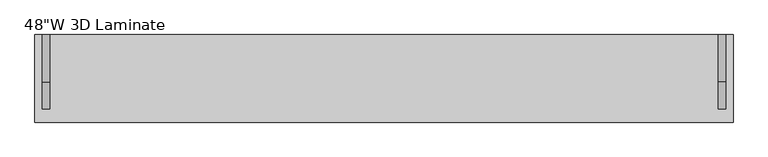
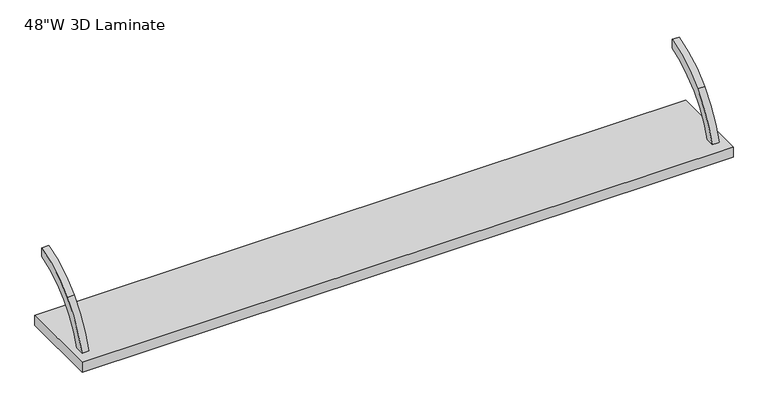
"""IFC4 building model written with IfcOpenShell, lengths in millimetres: furniture geometry."""

import ifcopenshell
import ifcopenshell.guid

model = None  # the IFC model being written
_history = None  # IfcOwnerHistory: only IFC2X3 demands one
_inside = {}  # id of a spatial element -> (the spatial element, [elements in it])
_under = {}  # id of a project, library or spatial element -> (it, [spatial elements below it])
_declared = {}  # id of a project -> (the project, [libraries it declares])
_typed = {}  # id of a type object -> (the type object, [elements of that type])
_made_of = {}  # id of a material, layer set ... -> (it, [elements and type objects made of it])


def new_model(schema):
    """Start an empty IFC model of exactly this schema.

    Asked for "IFC4X3", IfcOpenShell would pick the latest addendum, in which some entities
    have other attributes; the version numbers below select the first issue.
    IFC2X3 requires an IfcOwnerHistory on every rooted entity: one is made here for all.
    """
    global model, _history
    if schema == "IFC4X3":
        model = ifcopenshell.file(schema_version=(4, 3, 0, 0))
    else:
        model = ifcopenshell.file(schema=schema)
    _inside.clear()
    _under.clear()
    _declared.clear()
    _typed.clear()
    _made_of.clear()
    _history = None
    if model.schema == "IFC2X3":
        org = make("IfcOrganization", Name="unknown")
        user = make(
            "IfcPersonAndOrganization",
            ThePerson=make("IfcPerson", FamilyName="unknown"),
            TheOrganization=org,
        )
        app = make(
            "IfcApplication",
            ApplicationDeveloper=org,
            Version="unknown",
            ApplicationFullName="unknown",
            ApplicationIdentifier="unknown",
        )
        _history = make(
            "IfcOwnerHistory",
            OwningUser=user,
            OwningApplication=app,
            ChangeAction="ADDED",
            CreationDate=0,
        )
    return model


def make(cls, **values):
    """One entity of the class cls with the attributes given. An attribute that is None is left unset."""
    return model.create_entity(
        cls, **{name: value for name, value in values.items() if value is not None}
    )


def rooted(cls, **values):
    """An entity with a GlobalId (a new one), such as an element, a storey or a relation."""
    return make(cls, GlobalId=ifcopenshell.guid.new(), OwnerHistory=_history, **values)


def si_unit(unit_type, name, prefix=None):
    """IfcSIUnit, for example si_unit("LENGTHUNIT", "METRE", prefix="MILLI")."""
    return make("IfcSIUnit", UnitType=unit_type, Prefix=prefix, Name=name)


def assignment(units):
    """IfcUnitAssignment: the units of a project."""
    return None if units is None else make("IfcUnitAssignment", Units=units)


def point(xyz):
    """IfcCartesianPoint."""
    return None if xyz is None else make("IfcCartesianPoint", Coordinates=xyz)


def direction(xyz):
    """IfcDirection."""
    return None if xyz is None else make("IfcDirection", DirectionRatios=xyz)


def frame(location, z_axis=None, x_axis=None):
    """IfcAxis2Placement3D, a coordinate frame: its origin and axes. An axis left out is left unset."""
    return make(
        "IfcAxis2Placement3D",
        Location=point(location),
        Axis=direction(z_axis),
        RefDirection=direction(x_axis),
    )


def frame_2d(location, x_axis=None):
    """IfcAxis2Placement2D, a coordinate frame in the plane: its origin and x axis."""
    return make(
        "IfcAxis2Placement2D", Location=point(location), RefDirection=direction(x_axis)
    )


def origin():
    """The frame at (0, 0, 0) with its axes left unset."""
    return frame((0.0, 0.0, 0.0))


def place(relative_to, where):
    """IfcLocalPlacement: puts the frame where relative to a parent placement (None: the world)."""
    return make(
        "IfcLocalPlacement", PlacementRelTo=relative_to, RelativePlacement=where
    )


def context(
    kind, dimensions, precision=None, world=None, true_north=None, identifier=None
):
    """IfcGeometricRepresentationContext, for example the 3D "Model" context."""
    return make(
        "IfcGeometricRepresentationContext",
        ContextIdentifier=identifier,
        ContextType=kind,
        CoordinateSpaceDimension=dimensions,
        Precision=precision,
        WorldCoordinateSystem=world,
        TrueNorth=true_north,
    )


def project(units=None, contexts=None):
    """IfcProject with its units and contexts."""
    return rooted(
        "IfcProject",
        Name="project",
        RepresentationContexts=contexts,
        UnitsInContext=assignment(units),
    )


def spatial(cls, under=None, at=None, **own):
    """A site, building, storey or space (cls), placed at a placement, below another one or the project."""
    s = rooted(cls, ObjectPlacement=at, **own)
    if under is not None:
        _under.setdefault(under.id(), (under, []))[1].append(s)
    return s


def polyline(points):
    """IfcPolyline through the points."""
    return make("IfcPolyline", Points=[point(p) for p in points])


def circle_curve(where, radius):
    """IfcCircle in the frame where."""
    return make("IfcCircle", Position=where, Radius=radius)


def trimmed(basis, trim1, trim2, sense, master):
    """IfcTrimmedCurve: the piece of a basis curve between two trims."""
    return make(
        "IfcTrimmedCurve",
        BasisCurve=basis,
        Trim1=trim1,
        Trim2=trim2,
        SenseAgreement=sense,
        MasterRepresentation=master,
    )


def segment(curve, same_sense, transition):
    """IfcCompositeCurveSegment."""
    return make(
        "IfcCompositeCurveSegment",
        Transition=transition,
        SameSense=same_sense,
        ParentCurve=curve,
    )


def composite_curve(segments, self_intersect=None):
    """IfcCompositeCurve: segments joined end to end."""
    return make("IfcCompositeCurve", Segments=segments, SelfIntersect=self_intersect)


def outline(outer, holes=None, kind="AREA"):
    """IfcArbitraryClosedProfileDef: a profile drawn as a closed curve; with holes, ...WithVoids."""
    if holes is None:
        return make("IfcArbitraryClosedProfileDef", ProfileType=kind, OuterCurve=outer)
    return make(
        "IfcArbitraryProfileDefWithVoids",
        ProfileType=kind,
        OuterCurve=outer,
        InnerCurves=holes,
    )


def extrude(swept, where, along, depth):
    """IfcExtrudedAreaSolid: the profile swept, set in the frame where, extruded along a direction by depth."""
    return make(
        "IfcExtrudedAreaSolid",
        SweptArea=swept,
        Position=where,
        ExtrudedDirection=direction(along),
        Depth=depth,
    )


def shape(context_of_items, identifier, shape_type, items):
    """IfcShapeRepresentation: the items that make up one representation, for example the "Body"."""
    return make(
        "IfcShapeRepresentation",
        ContextOfItems=context_of_items,
        RepresentationIdentifier=identifier,
        RepresentationType=shape_type,
        Items=items,
    )


def source(mapping_origin, context_of_items, identifier, shape_type, items):
    """IfcRepresentationMap: a shape defined once, which mapped items show again and again."""
    return make(
        "IfcRepresentationMap",
        MappingOrigin=mapping_origin,
        MappedRepresentation=shape(context_of_items, identifier, shape_type, items),
    )


def transform(
    local_origin,
    x_axis=None,
    y_axis=None,
    z_axis=None,
    scale=None,
    scale2=None,
    scale3=None,
    uniform=True,
):
    """IfcCartesianTransformationOperator3D, or its non-uniform kind. x_axis, y_axis, z_axis: its Axis1, 2, 3."""
    if uniform:
        return make(
            "IfcCartesianTransformationOperator3D",
            Axis1=direction(x_axis),
            Axis2=direction(y_axis),
            LocalOrigin=point(local_origin),
            Scale=scale,
            Axis3=direction(z_axis),
        )
    return make(
        "IfcCartesianTransformationOperator3DnonUniform",
        Axis1=direction(x_axis),
        Axis2=direction(y_axis),
        LocalOrigin=point(local_origin),
        Scale=scale,
        Axis3=direction(z_axis),
        Scale2=scale2,
        Scale3=scale3,
    )


def mapped(mapping_source, mapping_target):
    """IfcMappedItem: shows the shape of a source again, moved by a transform."""
    return make(
        "IfcMappedItem", MappingSource=mapping_source, MappingTarget=mapping_target
    )


def made_of(thing, what):
    """Note that an element or type object is made of a material, layer set ...; save() writes the relation."""
    if what is not None:
        _made_of.setdefault(what.id(), (what, []))[1].append(thing)
    return thing


def element(
    cls,
    number,
    at=None,
    inside=None,
    cuts=None,
    type_object=None,
    material=None,
    context=None,
    identifier="Body",
    shape_type=None,
    held_by="IfcProductDefinitionShape",
    body=None,
    shapes=None,
    **own,
):
    """One element of the class cls, such as IfcWall. Its Tag is "e" and its number.

    at: its placement. inside: the storey or other place that contains it. cuts: it is an
    opening in that element (IfcRelVoidsElement). A single representation is given by context,
    identifier, shape_type and body (its items); several are given by shapes. held_by: the class
    of the entity that holds the representations. save() writes the other relations.
    """
    e = rooted(cls, Tag="e%d" % number, ObjectPlacement=at, **own)
    if body is not None:
        shapes = [shape(context, identifier, shape_type, body)]
    if shapes is not None:
        e.Representation = make(held_by, Representations=shapes)
    if inside is not None:
        _inside.setdefault(inside.id(), (inside, []))[1].append(e)
    if cuts is not None:
        rooted(
            "IfcRelVoidsElement", RelatingBuildingElement=cuts, RelatedOpeningElement=e
        )
    if type_object is not None:
        _typed.setdefault(type_object.id(), (type_object, []))[1].append(e)
    return made_of(e, material)


def aggregate(whole, parts):
    """IfcRelAggregates: a whole, such as a stair, and the parts it consists of."""
    return rooted("IfcRelAggregates", RelatingObject=whole, RelatedObjects=parts)


def save(model, path):
    """Write the relations noted so far, then the file.

    IfcRelAggregates (storeys below a building ...), IfcRelContainedInSpatialStructure (elements
    in a storey), IfcRelDefinesByType, IfcRelAssociatesMaterial and IfcRelDeclares: one each for
    every whole, place, type object, material and project.
    """
    for whole, parts in _under.values():
        aggregate(whole, parts)
    for where, things in _inside.values():
        rooted(
            "IfcRelContainedInSpatialStructure",
            RelatedElements=things,
            RelatingStructure=where,
        )
    for kind, things in _typed.values():
        rooted("IfcRelDefinesByType", RelatedObjects=things, RelatingType=kind)
    for what, things in _made_of.values():
        rooted("IfcRelAssociatesMaterial", RelatedObjects=things, RelatingMaterial=what)
    for by, libraries in _declared.values():
        rooted("IfcRelDeclares", RelatingContext=by, RelatedDefinitions=libraries)
    model.write(path)


def furniture_74fc1526(model_context):
    return source(origin(), model_context, "Body", "SweptSolid", [
        extrude(outline(composite_curve([segment(polyline([(-21.75256, 1074.7938619), (-21.75256, 1058.2080334)]), True, "CONTINUOUS"), segment(trimmed(circle_curve(frame_2d((31.2350706, 888.9332038)), 177.3743412), [point((-21.75256, 1058.2080334))], [point((-91.5649658, 1016.924641))], True, "CARTESIAN"), True, "CONTINUOUS"), segment(trimmed(circle_curve(frame_2d((14.1297346, 906.761672)), 152.6671197), [point((-91.5649658, 1016.924641))], [point((-132.8646554, 947.9915))], True, "CARTESIAN"), True, "CONTINUOUS"), segment(polyline([(-132.8646554, 947.9915), (-149.4341867, 947.9915)]), True, "CONTINUOUS"), segment(trimmed(circle_curve(frame_2d((41.312225, 891.180367)), 199.0268786), [point((-149.4341867, 947.9915))], [point((-102.9422911, 1028.3019663))], False, "CARTESIAN"), True, "CONTINUOUS"), segment(trimmed(circle_curve(frame_2d((15.3556483, 915.8534754)), 163.2147835), [point((-102.9422911, 1028.3019663))], [point((-21.75256, 1074.7938619))], False, "CARTESIAN"), True, "CONTINUOUS")], self_intersect=False)), frame((590.2663384, 0.0, 0.0), z_axis=(1.0, 0.0, 0.0), x_axis=(0.0, 1.0, 0.0)), (0.0, 0.0, 1.0), 12.7),
        extrude(outline(composite_curve([segment(trimmed(circle_curve(frame_2d((15.3556483, 915.8534754)), 163.2147835), [point((-102.9422911, 1028.3019663))], [point((-21.75256, 1074.7938619))], False, "CARTESIAN"), True, "CONTINUOUS"), segment(polyline([(-21.75256, 1074.7938619), (-21.75256, 1058.2080334)]), True, "CONTINUOUS"), segment(trimmed(circle_curve(frame_2d((31.2350706, 888.9332038)), 177.3743412), [point((-21.75256, 1058.2080334))], [point((-91.5649658, 1016.924641))], True, "CARTESIAN"), True, "CONTINUOUS"), segment(trimmed(circle_curve(frame_2d((14.1297346, 906.761672)), 152.6671197), [point((-91.5649658, 1016.924641))], [point((-132.8646554, 947.9915))], True, "CARTESIAN"), True, "CONTINUOUS"), segment(polyline([(-132.8646554, 947.9915), (-149.4341867, 947.9915)]), True, "CONTINUOUS"), segment(trimmed(circle_curve(frame_2d((41.312225, 891.180367)), 199.0268786), [point((-149.4341867, 947.9915))], [point((-102.9422911, 1028.3019663))], False, "CARTESIAN"), True, "CONTINUOUS")], self_intersect=False)), frame((-565.4909286, 0.0, 0.0), z_axis=(1.0, 0.0, 0.0), x_axis=(0.0, 1.0, 0.0)), (0.0, 0.0, 1.0), 12.7),
        extrude(outline(polyline([(615.6377049, -21.75256), (615.6377049, -171.5728725), (-578.1622951, -171.5728725), (-578.1622951, -21.75256), (615.6377049, -21.75256)])), frame((0.0, 0.0, 928.9422994), z_axis=(0.0, 0.0, 1.0), x_axis=(1.0, 0.0, 0.0)), (0.0, 0.0, 1.0), 19.0492006),
    ])


if __name__ == "__main__":
    model = new_model("IFC4")
    model_context = context("Model", 3, world=origin())
    ifc_project = project(units=[si_unit("LENGTHUNIT", "METRE", prefix="MILLI")], contexts=[model_context])
    site = spatial("IfcSite", under=ifc_project)
    building = spatial("IfcBuilding", under=site)
    placement = place(None, origin())
    furniture_shape = furniture_74fc1526(model_context)
    element("IfcFurniture", 1, ObjectType="48\"W 3D Laminate", at=placement, inside=building, context=model_context, shape_type="MappedRepresentation", body=[
        mapped(furniture_shape, transform((0.0, 0.0, 0.0), x_axis=(1.0, 0.0, 0.0), y_axis=(0.0, 1.0, 0.0), z_axis=(0.0, 0.0, 1.0))),
    ])
    save(model, "model.ifc")
